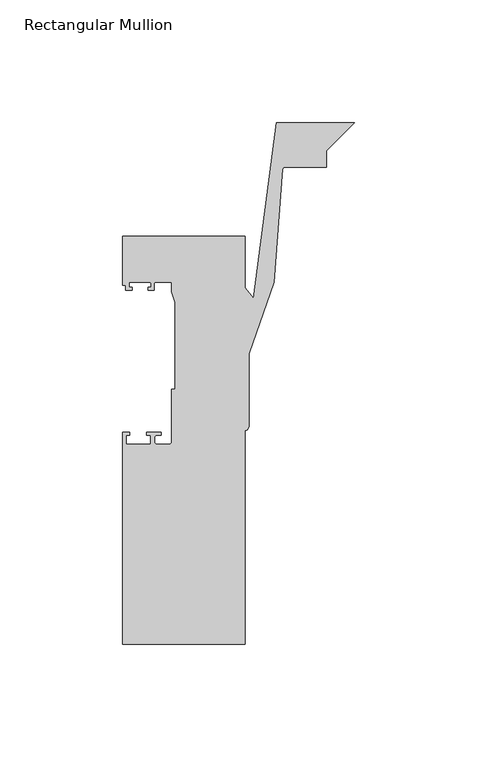
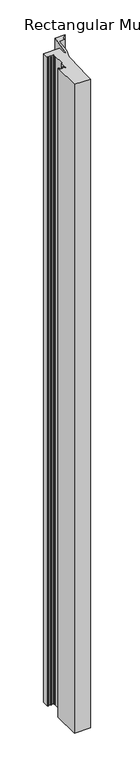
"""IFC4 building model written with IfcOpenShell, lengths in millimetres: member geometry, Rectangular Mullion."""

from ifc_helpers import new_model, si_unit, point, frame, frame_2d, origin, place, context, project, spatial, polyline, circle_curve, trimmed, segment, composite_curve, outline, extrude, source, transform, mapped, element, save


def rectangular_mullion_6b2c60ed(model_context):
    return source(origin(), model_context, "Body", "SweptSolid", [
        extrude(outline(composite_curve([segment(polyline([(-94.5062525, -74.0), (-94.5062525, 12.5), (-91.7062525, 12.5), (-91.7062525, 11.2), (-93.0062525, 11.2), (-93.0062525, 7.5), (-83.0062525, 7.5), (-83.0062525, 11.2), (-84.7062525, 11.2), (-84.7062525, 12.5), (-78.9062525, 12.5), (-78.9062525, 11.2), (-80.5062525, 11.2)]), True, "CONTINUOUS"), segment(trimmed(circle_curve(frame_2d((-80.5062525, 10.2)), 1.0), [point((-80.5062525, 11.2))], [point((-81.5062525, 10.2))], True, "CARTESIAN"), True, "CONTINUOUS"), segment(polyline([(-81.5062525, 10.2), (-81.5062525, 8.5)]), True, "CONTINUOUS"), segment(trimmed(circle_curve(frame_2d((-80.5062525, 8.5)), 1.0), [point((-81.5062525, 8.5))], [point((-80.5062525, 7.5))], True, "CARTESIAN"), True, "CONTINUOUS"), segment(polyline([(-80.5062525, 7.5), (-75.5062525, 7.5)]), True, "CONTINUOUS"), segment(trimmed(circle_curve(frame_2d((-75.5062525, 8.5)), 1.0), [point((-75.5062525, 7.5))], [point((-74.5062525, 8.5))], True, "CARTESIAN"), True, "CONTINUOUS"), segment(polyline([(-74.5062525, 8.5), (-74.5062525, 30.0), (-73.2062525, 30.0), (-73.2062525, 65.3046824), (-74.5062525, 69.6597214), (-74.5062525, 73.5), (-81.1562525, 73.5)]), True, "CONTINUOUS"), segment(trimmed(circle_curve(frame_2d((-81.1562525, 73.0)), 0.5), [point((-81.1562525, 73.5))], [point((-81.6562525, 73.0))], True, "CARTESIAN"), True, "CONTINUOUS"), segment(polyline([(-81.6562525, 73.0), (-81.6562525, 70.3), (-84.0562525, 70.3), (-84.0562525, 71.5), (-82.9562525, 71.5), (-82.9562525, 73.0)]), True, "CONTINUOUS"), segment(trimmed(circle_curve(frame_2d((-83.4562525, 73.0)), 0.5), [point((-82.9562525, 73.0))], [point((-83.4562525, 73.5))], True, "CARTESIAN"), True, "CONTINUOUS"), segment(polyline([(-83.4562525, 73.5), (-91.4562525, 73.5)]), True, "CONTINUOUS"), segment(trimmed(circle_curve(frame_2d((-91.4562525, 73.0)), 0.5), [point((-91.4562525, 73.5))], [point((-91.9562525, 73.0))], True, "CARTESIAN"), True, "CONTINUOUS"), segment(polyline([(-91.9562525, 73.0), (-91.9562525, 71.5), (-90.5562525, 71.5), (-90.5562525, 70.3), (-93.2562525, 70.3), (-93.2562525, 72.3), (-94.5062525, 72.3), (-94.5062525, 92.3), (-44.5062525, 92.3), (-44.5062525, 71.1838655), (-41.2003435, 66.9373509), (-31.8621864, 138.4797109), (0.0, 138.4797109), (-11.4888818, 126.9908291), (-11.4888818, 120.3993096), (-28.3157367, 120.3993096)]), True, "CONTINUOUS"), segment(trimmed(circle_curve(frame_2d((-28.3157367, 119.3993096)), 1.0), [point((-28.3157367, 120.3993096))], [point((-29.3128462, 119.475288))], True, "CARTESIAN"), True, "CONTINUOUS"), segment(polyline([(-29.3128462, 119.475288), (-32.81225, 73.550518), (-42.8851794, 44.3941788), (-42.8851794, 15.3107278)]), True, "CONTINUOUS"), segment(trimmed(circle_curve(frame_2d((-45.3851794, 15.3107278)), 2.5), [point((-42.8851794, 15.3107278))], [point((-44.5062525, 12.9703245))], False, "CARTESIAN"), True, "CONTINUOUS"), segment(polyline([(-44.5062525, 12.9703245), (-44.5062525, -74.0), (-94.5062525, -74.0)]), True, "CONTINUOUS")], self_intersect=False)), frame((0.0, 0.0, -2120.3295837), z_axis=(0.0, 0.0, 1.0), x_axis=(1.0, 0.0, 0.0)), (0.0, 0.0, 1.0), 2120.3295837),
    ])


if __name__ == "__main__":
    model = new_model("IFC4")
    model_context = context("Model", 3, world=origin())
    ifc_project = project(units=[si_unit("LENGTHUNIT", "METRE", prefix="MILLI")], contexts=[model_context])
    site = spatial("IfcSite", under=ifc_project)
    building = spatial("IfcBuilding", under=site)
    placement = place(None, origin())
    rectangular_mullion_shape = rectangular_mullion_6b2c60ed(model_context)
    element("IfcMember", 1, ObjectType="Rectangular Mullion", at=placement, inside=building, context=model_context, shape_type="MappedRepresentation", body=[
        mapped(rectangular_mullion_shape, transform((0.0, 0.0, 0.0), x_axis=(1.0, 0.0, 0.0), y_axis=(0.0, 1.0, 0.0), z_axis=(0.0, 0.0, 1.0))),
    ])
    save(model, "model.ifc")
